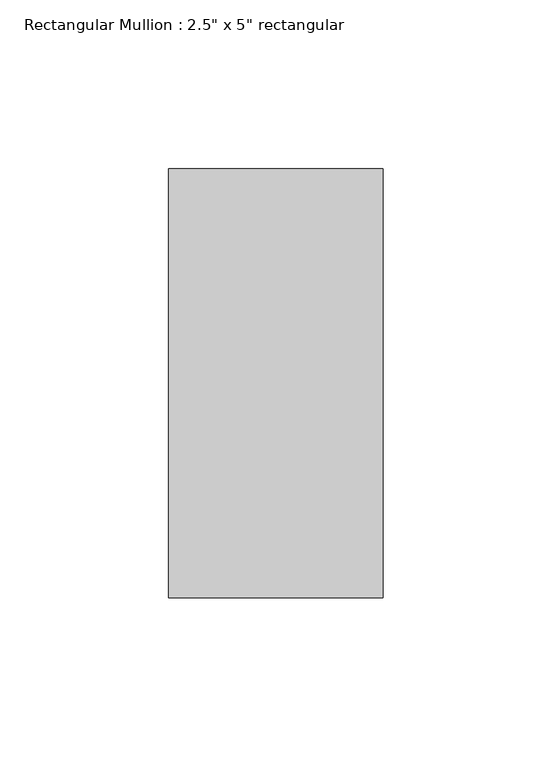
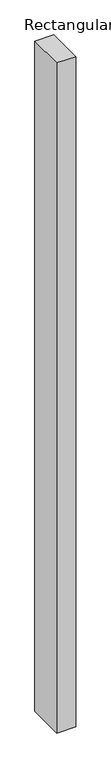
"""IFC4 building model written with IfcOpenShell, lengths in millimetres: member geometry."""

from ifc_helpers import new_model, si_unit, frame, origin, place, context, project, spatial, polyline, outline, extrude, source, transform, mapped, element, save


def member_89bfb2f9(model_context):
    return source(origin(), model_context, "Body", "SweptSolid", [
        extrude(outline(polyline([(31.75, 63.5), (31.75, -63.5), (-31.75, -63.5), (-31.75, 63.5), (31.75, 63.5)])), frame((0.0, 0.0, -2374.9), z_axis=(0.0, 0.0, 1.0), x_axis=(1.0, 0.0, 0.0)), (0.0, 0.0, 1.0), 2374.9),
    ])


if __name__ == "__main__":
    model = new_model("IFC4")
    model_context = context("Model", 3, world=origin())
    ifc_project = project(units=[si_unit("LENGTHUNIT", "METRE", prefix="MILLI")], contexts=[model_context])
    site = spatial("IfcSite", under=ifc_project)
    building = spatial("IfcBuilding", under=site)
    placement = place(None, origin())
    member_shape = member_89bfb2f9(model_context)
    element("IfcMember", 1, ObjectType="Rectangular Mullion : 2.5\" x 5\" rectangular", at=placement, inside=building, context=model_context, shape_type="MappedRepresentation", body=[
        mapped(member_shape, transform((0.0, 0.0, 0.0), x_axis=(1.0, 0.0, 0.0), y_axis=(0.0, 1.0, 0.0), z_axis=(0.0, 0.0, 1.0))),
    ])
    save(model, "model.ifc")
